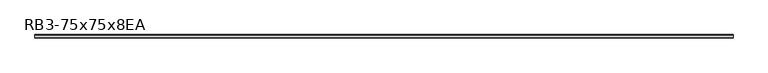
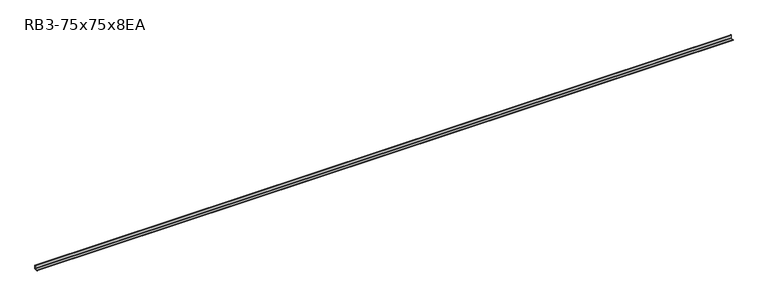
"""IFC4 building model written with IfcOpenShell, lengths in millimetres: member geometry, RB3-75x75x8EA."""

from ifc_helpers import new_model, si_unit, point, frame, frame_2d, origin, place, context, project, spatial, polyline, circle_curve, trimmed, segment, composite_curve, outline, extrude, source, transform, mapped, element, save


def rb3_75x75x8ea_9def0d18(model_context):
    return source(origin(), model_context, "Body", "SweptSolid", [
        extrude(outline(composite_curve([segment(polyline([(21.3, -21.3), (-53.7, -21.3), (-53.7, -18.3)]), True, "CONTINUOUS"), segment(trimmed(circle_curve(frame_2d((-48.7, -18.3)), 5.0), [point((-53.7, -18.3))], [point((-48.7, -13.3))], False, "CARTESIAN"), True, "CONTINUOUS"), segment(polyline([(-48.7, -13.3), (5.3, -13.3)]), True, "CONTINUOUS"), segment(trimmed(circle_curve(frame_2d((5.3, -5.3)), 8.0), [point((5.3, -13.3))], [point((13.3, -5.3))], True, "CARTESIAN"), True, "CONTINUOUS"), segment(polyline([(13.3, -5.3), (13.3, 48.7)]), True, "CONTINUOUS"), segment(trimmed(circle_curve(frame_2d((18.3, 48.7)), 5.0), [point((13.3, 48.7))], [point((18.3, 53.7))], False, "CARTESIAN"), True, "CONTINUOUS"), segment(polyline([(18.3, 53.7), (21.3, 53.7), (21.3, -21.3)]), True, "CONTINUOUS")], self_intersect=False)), frame((-7400.0, 0.0, 0.0), z_axis=(1.0, 0.0, 0.0), x_axis=(0.0, 1.0, 0.0)), (0.0, 0.0, 1.0), 14652.0),
    ])


if __name__ == "__main__":
    model = new_model("IFC4")
    model_context = context("Model", 3, world=origin())
    ifc_project = project(units=[si_unit("LENGTHUNIT", "METRE", prefix="MILLI")], contexts=[model_context])
    site = spatial("IfcSite", under=ifc_project)
    building = spatial("IfcBuilding", under=site)
    placement = place(None, origin())
    rb3_75x75x8ea_shape = rb3_75x75x8ea_9def0d18(model_context)
    element("IfcMember", 1, ObjectType="RB3-75x75x8EA", at=placement, inside=building, context=model_context, shape_type="MappedRepresentation", body=[
        mapped(rb3_75x75x8ea_shape, transform((0.0, 0.0, 0.0), x_axis=(1.0, 0.0, 0.0), y_axis=(0.0, 1.0, 0.0), z_axis=(0.0, 0.0, 1.0))),
    ])
    save(model, "model.ifc")
